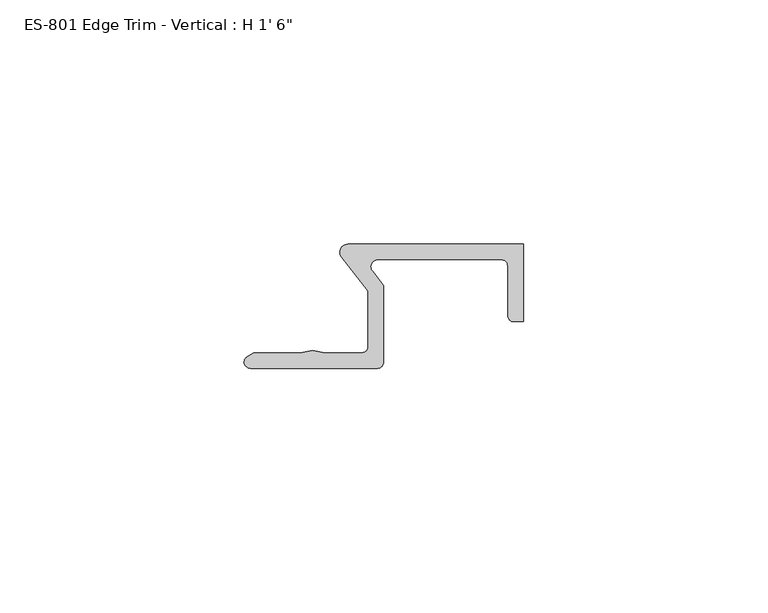
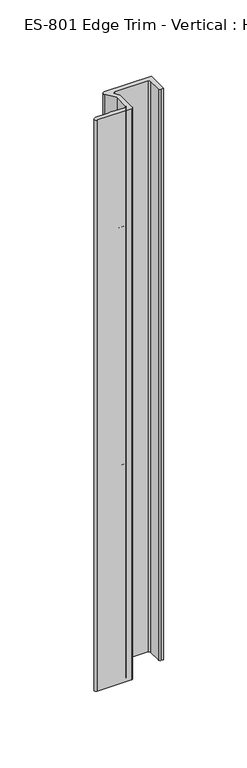
"""IFC4 building model written with IfcOpenShell, lengths in millimetres: proxy geometry."""

from ifc_helpers import new_model, si_unit, frame, origin, place, context, project, spatial, polyline, circle_curve, source, transform, mapped, element, save
from ifc_brep_helpers import plane_surface, cylinder_surface, revolved_surface, advanced_brep


def proxy_0207d02c(model_context):
    return source(origin(), model_context, "Body", "AdvancedBrep", [
        advanced_brep(
        [(-7.3673993, 12.5883601, -152.4114463), (28.5635537, 12.5883601, -152.4114463), (28.5635537, -3.2866399, -152.4114463), (26.6465758, -3.2866399, -152.4114463), (25.3885537, -2.0286178, -152.4114463), (25.3885537, 8.1433601, -152.4114463), (24.1185537, 9.4133601, -152.4114463), (-1.2734404, 9.4133601, -152.4114463), (-2.3007811, 7.0610838, -152.4114463), (-0.0114463, 4.1308689, -152.4114463), (-0.0114463, -11.5416399, -152.4114463), (-1.2814463, -12.8116399, -152.4114463), (-27.2756609, -12.8116399, -152.4114463), (-28.1592667, -10.6104783, -152.4114463), (-26.6709014, -9.6366399, -152.4114463), (-17.1585564, -9.6366399, -152.4114463), (-14.5656463, -9.1794399, -152.4114463), (-11.9727363, -9.6366399, -152.4114463), (-4.4564463, -9.6366399, -152.4114463), (-3.1864463, -8.3666399, -152.4114463), (-3.1864463, 3.0376287, -152.4114463), (-8.6283741, 10.0029786, -152.4114463), (-7.3673993, 12.5883601, 304.7885537), (-8.6283741, 10.0029786, 304.7885537), (-3.1864463, 3.0376287, 304.7885537), (-3.1864463, -8.3666399, 304.7885537), (-4.4564463, -9.6366399, 304.7885537), (-11.9727363, -9.6366399, 304.7885537), (-14.5656463, -9.1794399, 304.7885537), (-17.1585564, -9.6366399, 304.7885537), (-26.6709014, -9.6366399, 304.7885537), (-28.1592667, -10.6104783, 304.7885537), (-27.2756609, -12.8116399, 304.7885537), (-1.2814463, -12.8116399, 304.7885537), (-0.0114463, -11.5416399, 304.7885537), (-0.0114463, 4.1308689, 304.7885537), (-2.3007811, 7.0610838, 304.7885537), (-1.2734404, 9.4133601, 304.7885537), (24.1185537, 9.4133601, 304.7885537), (25.3885537, 8.1433601, 304.7885537), (25.3885537, -2.0286178, 304.7885537), (26.6465758, -3.2866399, 304.7885537), (28.5635537, -3.2866399, 304.7885537), (28.5635537, 12.5883601, 304.7885537), (-3.1864463, 1.572985, 258.3359335), (-3.1864463, 1.572985, 275.0316248), (-3.1864463, -7.158265, 275.0316248), (-3.1864463, -7.158265, 258.3359335), (-3.1864463, 1.572985, 220.2359335), (-3.1864463, 1.572985, 236.9316248), (-3.1864463, -7.158265, 236.9316248), (-3.1864463, -7.158265, 220.2359335), (-3.1864463, 1.572985, 182.1359335), (-3.1864463, 1.572985, 198.8316248), (-3.1864463, -7.158265, 198.8316248), (-3.1864463, -7.158265, 182.1359335), (-3.1864463, 1.572985, 144.0359335), (-3.1864463, 1.572985, 160.7316248), (-3.1864463, -7.158265, 160.7316248), (-3.1864463, -7.158265, 144.0359335), (-3.1864463, 1.572985, 105.9359335), (-3.1864463, 1.572985, 122.6316248), (-3.1864463, -7.158265, 122.6316248), (-3.1864463, -7.158265, 105.9359335), (-3.1864463, 1.572985, 67.8359335), (-3.1864463, 1.572985, 84.5316248), (-3.1864463, -7.158265, 84.5316248), (-3.1864463, -7.158265, 67.8359335), (-3.1864463, 1.572985, 29.7359335), (-3.1864463, 1.572985, 46.4316248), (-3.1864463, -7.158265, 46.4316248), (-3.1864463, -7.158265, 29.7359335), (-3.1864463, 1.572985, -8.3640665), (-3.1864463, 1.572985, 8.3316248), (-3.1864463, -7.158265, 8.3316248), (-3.1864463, -7.158265, -8.3640665), (-3.1864463, 1.572985, -46.4640665), (-3.1864463, 1.572985, -29.7683752), (-3.1864463, -7.158265, -29.7683752), (-3.1864463, -7.158265, -46.4640665), (-3.1864463, 1.572985, -84.5640665), (-3.1864463, 1.572985, -67.8683752), (-3.1864463, -7.158265, -67.8683752), (-3.1864463, -7.158265, -84.5640665), (-3.1864463, 1.572985, -122.6640665), (-3.1864463, 1.572985, -105.9683752), (-3.1864463, -7.158265, -105.9683752), (-3.1864463, -7.158265, -122.6640665), (-0.0114463, 1.572985, 275.0316248), (-0.0114463, 1.572985, 258.3359335), (-0.0114463, -7.158265, 258.3359335), (-0.0114463, -7.158265, 275.0316248), (-0.0114463, 1.572985, 236.9316248), (-0.0114463, 1.572985, 220.2359335), (-0.0114463, -7.158265, 220.2359335), (-0.0114463, -7.158265, 236.9316248), (-0.0114463, 1.572985, 198.8316248), (-0.0114463, 1.572985, 182.1359335), (-0.0114463, -7.158265, 182.1359335), (-0.0114463, -7.158265, 198.8316248), (-0.0114463, 1.572985, 160.7316248), (-0.0114463, 1.572985, 144.0359335), (-0.0114463, -7.158265, 144.0359335), (-0.0114463, -7.158265, 160.7316248), (-0.0114463, 1.572985, 122.6316248), (-0.0114463, 1.572985, 105.9359335), (-0.0114463, -7.158265, 105.9359335), (-0.0114463, -7.158265, 122.6316248), (-0.0114463, 1.572985, 84.5316248), (-0.0114463, 1.572985, 67.8359335), (-0.0114463, -7.158265, 67.8359335), (-0.0114463, -7.158265, 84.5316248), (-0.0114463, 1.572985, 46.4316248), (-0.0114463, 1.572985, 29.7359335), (-0.0114463, -7.158265, 29.7359335), (-0.0114463, -7.158265, 46.4316248), (-0.0114463, 1.572985, 8.3316248), (-0.0114463, 1.572985, -8.3640665), (-0.0114463, -7.158265, -8.3640665), (-0.0114463, -7.158265, 8.3316248), (-0.0114463, 1.572985, -29.7683752), (-0.0114463, 1.572985, -46.4640665), (-0.0114463, -7.158265, -46.4640665), (-0.0114463, -7.158265, -29.7683752), (-0.0114463, 1.572985, -67.8683752), (-0.0114463, 1.572985, -84.5640665), (-0.0114463, -7.158265, -84.5640665), (-0.0114463, -7.158265, -67.8683752), (-0.0114463, 1.572985, -105.9683752), (-0.0114463, 1.572985, -122.6640665), (-0.0114463, -7.158265, -122.6640665), (-0.0114463, -7.158265, -105.9683752)],
        [
            (0, 1),
            (1, 2),
            (2, 3),
            (3, 4, circle_curve(frame((26.6465758, -2.0286178, -152.4114463), z_axis=(0.0, 0.0, -1.0), x_axis=(0.0, 1.0, 0.0)), 1.2580221)),
            (4, 5),
            (5, 6, circle_curve(frame((24.1185537, 8.1433601, -152.4114463), z_axis=(0.0, 0.0, 1.0), x_axis=(0.0, 1.0, 0.0)), 1.27)),
            (6, 7),
            (7, 8, circle_curve(frame((-1.2734404, 8.0128799, -152.4114463), z_axis=(0.0, 0.0, 1.0), x_axis=(0.0, 1.0, 0.0)), 1.4004802)),
            (8, 9),
            (9, 10),
            (10, 11, circle_curve(frame((-1.2814463, -11.5416399, -152.4114463), z_axis=(0.0, 0.0, -1.0), x_axis=(0.0, 1.0, 0.0)), 1.27)),
            (11, 12),
            (12, 13, circle_curve(frame((-27.3029218, -11.5446507, -152.4114463), z_axis=(0.0, 0.0, -1.0), x_axis=(0.0, 1.0, 0.0)), 1.2672824)),
            (13, 14),
            (14, 15),
            (15, 16),
            (16, 17),
            (17, 18),
            (18, 19, circle_curve(frame((-4.4564463, -8.3666399, -152.4114463), z_axis=(0.0, 0.0, 1.0), x_axis=(0.0, 1.0, 0.0)), 1.27)),
            (19, 20),
            (20, 21),
            (21, 0, circle_curve(frame((-7.3673993, 10.9881601, -152.4114463), z_axis=(0.0, 0.0, -1.0), x_axis=(0.0, 1.0, 0.0)), 1.6002)),
            (22, 23, circle_curve(frame((-7.3673993, 10.9881601, 304.7885537), z_axis=(0.0, 0.0, 1.0), x_axis=(0.0, 1.0, 0.0)), 1.6002)),
            (23, 24),
            (24, 25),
            (25, 26, circle_curve(frame((-4.4564463, -8.3666399, 304.7885537), z_axis=(0.0, 0.0, -1.0), x_axis=(0.0, 1.0, 0.0)), 1.27)),
            (26, 27),
            (27, 28),
            (28, 29),
            (29, 30),
            (30, 31),
            (31, 32, circle_curve(frame((-27.3029218, -11.5446507, 304.7885537), z_axis=(0.0, 0.0, 1.0), x_axis=(0.0, 1.0, 0.0)), 1.2672824)),
            (32, 33),
            (33, 34, circle_curve(frame((-1.2814463, -11.5416399, 304.7885537), z_axis=(0.0, 0.0, 1.0), x_axis=(0.0, 1.0, 0.0)), 1.27)),
            (34, 35),
            (35, 36),
            (36, 37, circle_curve(frame((-1.2734404, 8.0128799, 304.7885537), z_axis=(0.0, 0.0, -1.0), x_axis=(0.0, 1.0, 0.0)), 1.4004802)),
            (37, 38),
            (38, 39, circle_curve(frame((24.1185537, 8.1433601, 304.7885537), z_axis=(0.0, 0.0, -1.0), x_axis=(0.0, 1.0, 0.0)), 1.27)),
            (39, 40),
            (40, 41, circle_curve(frame((26.6465758, -2.0286178, 304.7885537), z_axis=(0.0, 0.0, 1.0), x_axis=(0.0, 1.0, 0.0)), 1.2580221)),
            (41, 42),
            (42, 43),
            (43, 22),
            (0, 22),
            (43, 1),
            (21, 23),
            (20, 24),
            (19, 25),
            (44, 45),
            (45, 46, circle_curve(frame((-3.1864463, -2.79264, 275.0316248), z_axis=(1.0, 0.0, 0.0), x_axis=(0.0, 0.0, 1.0)), 4.365625)),
            (46, 47),
            (47, 44, circle_curve(frame((-3.1864463, -2.79264, 258.3359335), z_axis=(1.0, 0.0, 0.0), x_axis=(0.0, 0.0, 1.0)), 4.365625)),
            (48, 49),
            (49, 50, circle_curve(frame((-3.1864463, -2.79264, 236.9316248), z_axis=(1.0, 0.0, 0.0), x_axis=(0.0, 0.0, 1.0)), 4.365625)),
            (50, 51),
            (51, 48, circle_curve(frame((-3.1864463, -2.79264, 220.2359335), z_axis=(1.0, 0.0, 0.0), x_axis=(0.0, 0.0, 1.0)), 4.365625)),
            (52, 53),
            (53, 54, circle_curve(frame((-3.1864463, -2.79264, 198.8316248), z_axis=(1.0, 0.0, 0.0), x_axis=(0.0, 0.0, 1.0)), 4.365625)),
            (54, 55),
            (55, 52, circle_curve(frame((-3.1864463, -2.79264, 182.1359335), z_axis=(1.0, 0.0, 0.0), x_axis=(0.0, 0.0, 1.0)), 4.365625)),
            (56, 57),
            (57, 58, circle_curve(frame((-3.1864463, -2.79264, 160.7316248), z_axis=(1.0, 0.0, 0.0), x_axis=(0.0, 0.0, 1.0)), 4.365625)),
            (58, 59),
            (59, 56, circle_curve(frame((-3.1864463, -2.79264, 144.0359335), z_axis=(1.0, 0.0, 0.0), x_axis=(0.0, 0.0, 1.0)), 4.365625)),
            (60, 61),
            (61, 62, circle_curve(frame((-3.1864463, -2.79264, 122.6316248), z_axis=(1.0, 0.0, 0.0), x_axis=(0.0, 0.0, 1.0)), 4.365625)),
            (62, 63),
            (63, 60, circle_curve(frame((-3.1864463, -2.79264, 105.9359335), z_axis=(1.0, 0.0, 0.0), x_axis=(0.0, 0.0, 1.0)), 4.365625)),
            (64, 65),
            (65, 66, circle_curve(frame((-3.1864463, -2.79264, 84.5316248), z_axis=(1.0, 0.0, 0.0), x_axis=(0.0, 0.0, 1.0)), 4.365625)),
            (66, 67),
            (67, 64, circle_curve(frame((-3.1864463, -2.79264, 67.8359335), z_axis=(1.0, 0.0, 0.0), x_axis=(0.0, 0.0, 1.0)), 4.365625)),
            (68, 69),
            (69, 70, circle_curve(frame((-3.1864463, -2.79264, 46.4316248), z_axis=(1.0, 0.0, 0.0), x_axis=(0.0, 0.0, 1.0)), 4.365625)),
            (70, 71),
            (71, 68, circle_curve(frame((-3.1864463, -2.79264, 29.7359335), z_axis=(1.0, 0.0, 0.0), x_axis=(0.0, 0.0, 1.0)), 4.365625)),
            (72, 73),
            (73, 74, circle_curve(frame((-3.1864463, -2.79264, 8.3316248), z_axis=(1.0, 0.0, 0.0), x_axis=(0.0, 0.0, 1.0)), 4.365625)),
            (74, 75),
            (75, 72, circle_curve(frame((-3.1864463, -2.79264, -8.3640665), z_axis=(1.0, 0.0, 0.0), x_axis=(0.0, 0.0, 1.0)), 4.365625)),
            (76, 77),
            (77, 78, circle_curve(frame((-3.1864463, -2.79264, -29.7683752), z_axis=(1.0, 0.0, 0.0), x_axis=(0.0, 0.0, 1.0)), 4.365625)),
            (78, 79),
            (79, 76, circle_curve(frame((-3.1864463, -2.79264, -46.4640665), z_axis=(1.0, 0.0, 0.0), x_axis=(0.0, 0.0, 1.0)), 4.365625)),
            (80, 81),
            (81, 82, circle_curve(frame((-3.1864463, -2.79264, -67.8683752), z_axis=(1.0, 0.0, 0.0), x_axis=(0.0, 0.0, 1.0)), 4.365625)),
            (82, 83),
            (83, 80, circle_curve(frame((-3.1864463, -2.79264, -84.5640665), z_axis=(1.0, 0.0, 0.0), x_axis=(0.0, 0.0, 1.0)), 4.365625)),
            (84, 85),
            (85, 86, circle_curve(frame((-3.1864463, -2.79264, -105.9683752), z_axis=(1.0, 0.0, 0.0), x_axis=(0.0, 0.0, 1.0)), 4.365625)),
            (86, 87),
            (87, 84, circle_curve(frame((-3.1864463, -2.79264, -122.6640665), z_axis=(1.0, 0.0, 0.0), x_axis=(0.0, 0.0, 1.0)), 4.365625)),
            (18, 26),
            (17, 27),
            (16, 28),
            (15, 29),
            (14, 30),
            (13, 31),
            (12, 32),
            (11, 33),
            (10, 34),
            (9, 35),
            (88, 89),
            (89, 90, circle_curve(frame((-0.0114463, -2.79264, 258.3359335), z_axis=(-1.0, 0.0, 0.0), x_axis=(0.0, 0.0, 1.0)), 4.365625)),
            (90, 91),
            (91, 88, circle_curve(frame((-0.0114463, -2.79264, 275.0316248), z_axis=(-1.0, 0.0, 0.0), x_axis=(0.0, 0.0, 1.0)), 4.365625)),
            (92, 93),
            (93, 94, circle_curve(frame((-0.0114463, -2.79264, 220.2359335), z_axis=(-1.0, 0.0, 0.0), x_axis=(0.0, 0.0, 1.0)), 4.365625)),
            (94, 95),
            (95, 92, circle_curve(frame((-0.0114463, -2.79264, 236.9316248), z_axis=(-1.0, 0.0, 0.0), x_axis=(0.0, 0.0, 1.0)), 4.365625)),
            (96, 97),
            (97, 98, circle_curve(frame((-0.0114463, -2.79264, 182.1359335), z_axis=(-1.0, 0.0, 0.0), x_axis=(0.0, 0.0, 1.0)), 4.365625)),
            (98, 99),
            (99, 96, circle_curve(frame((-0.0114463, -2.79264, 198.8316248), z_axis=(-1.0, 0.0, 0.0), x_axis=(0.0, 0.0, 1.0)), 4.365625)),
            (100, 101),
            (101, 102, circle_curve(frame((-0.0114463, -2.79264, 144.0359335), z_axis=(-1.0, 0.0, 0.0), x_axis=(0.0, 0.0, 1.0)), 4.365625)),
            (102, 103),
            (103, 100, circle_curve(frame((-0.0114463, -2.79264, 160.7316248), z_axis=(-1.0, 0.0, 0.0), x_axis=(0.0, 0.0, 1.0)), 4.365625)),
            (104, 105),
            (105, 106, circle_curve(frame((-0.0114463, -2.79264, 105.9359335), z_axis=(-1.0, 0.0, 0.0), x_axis=(0.0, 0.0, 1.0)), 4.365625)),
            (106, 107),
            (107, 104, circle_curve(frame((-0.0114463, -2.79264, 122.6316248), z_axis=(-1.0, 0.0, 0.0), x_axis=(0.0, 0.0, 1.0)), 4.365625)),
            (108, 109),
            (109, 110, circle_curve(frame((-0.0114463, -2.79264, 67.8359335), z_axis=(-1.0, 0.0, 0.0), x_axis=(0.0, 0.0, 1.0)), 4.365625)),
            (110, 111),
            (111, 108, circle_curve(frame((-0.0114463, -2.79264, 84.5316248), z_axis=(-1.0, 0.0, 0.0), x_axis=(0.0, 0.0, 1.0)), 4.365625)),
            (112, 113),
            (113, 114, circle_curve(frame((-0.0114463, -2.79264, 29.7359335), z_axis=(-1.0, 0.0, 0.0), x_axis=(0.0, 0.0, 1.0)), 4.365625)),
            (114, 115),
            (115, 112, circle_curve(frame((-0.0114463, -2.79264, 46.4316248), z_axis=(-1.0, 0.0, 0.0), x_axis=(0.0, 0.0, 1.0)), 4.365625)),
            (116, 117),
            (117, 118, circle_curve(frame((-0.0114463, -2.79264, -8.3640665), z_axis=(-1.0, 0.0, 0.0), x_axis=(0.0, 0.0, 1.0)), 4.365625)),
            (118, 119),
            (119, 116, circle_curve(frame((-0.0114463, -2.79264, 8.3316248), z_axis=(-1.0, 0.0, 0.0), x_axis=(0.0, 0.0, 1.0)), 4.365625)),
            (120, 121),
            (121, 122, circle_curve(frame((-0.0114463, -2.79264, -46.4640665), z_axis=(-1.0, 0.0, 0.0), x_axis=(0.0, 0.0, 1.0)), 4.365625)),
            (122, 123),
            (123, 120, circle_curve(frame((-0.0114463, -2.79264, -29.7683752), z_axis=(-1.0, 0.0, 0.0), x_axis=(0.0, 0.0, 1.0)), 4.365625)),
            (124, 125),
            (125, 126, circle_curve(frame((-0.0114463, -2.79264, -84.5640665), z_axis=(-1.0, 0.0, 0.0), x_axis=(0.0, 0.0, 1.0)), 4.365625)),
            (126, 127),
            (127, 124, circle_curve(frame((-0.0114463, -2.79264, -67.8683752), z_axis=(-1.0, 0.0, 0.0), x_axis=(0.0, 0.0, 1.0)), 4.365625)),
            (128, 129),
            (129, 130, circle_curve(frame((-0.0114463, -2.79264, -122.6640665), z_axis=(-1.0, 0.0, 0.0), x_axis=(0.0, 0.0, 1.0)), 4.365625)),
            (130, 131),
            (131, 128, circle_curve(frame((-0.0114463, -2.79264, -105.9683752), z_axis=(-1.0, 0.0, 0.0), x_axis=(0.0, 0.0, 1.0)), 4.365625)),
            (8, 36),
            (7, 37),
            (6, 38),
            (5, 39),
            (4, 40),
            (3, 41),
            (2, 42),
            (88, 45),
            (44, 89),
            (90, 47),
            (46, 91),
            (92, 49),
            (48, 93),
            (94, 51),
            (50, 95),
            (96, 53),
            (52, 97),
            (98, 55),
            (54, 99),
            (100, 57),
            (56, 101),
            (102, 59),
            (58, 103),
            (104, 61),
            (60, 105),
            (106, 63),
            (62, 107),
            (108, 65),
            (64, 109),
            (110, 67),
            (66, 111),
            (112, 69),
            (68, 113),
            (114, 71),
            (70, 115),
            (116, 73),
            (72, 117),
            (118, 75),
            (74, 119),
            (120, 77),
            (76, 121),
            (122, 79),
            (78, 123),
            (124, 81),
            (80, 125),
            (126, 83),
            (82, 127),
            (128, 85),
            (84, 129),
            (130, 87),
            (86, 131),
        ],
        [
            plane_surface(frame((-7.3673993, 12.5883601, -152.4114463), z_axis=(0.0, 0.0, -1.0), x_axis=(1.0, 0.0, 0.0))),
            plane_surface(frame((-7.3673993, 12.5883601, 304.7885537), z_axis=(0.0, 0.0, 1.0), x_axis=(-1.0, 0.0, 0.0))),
            plane_surface(frame((28.5635537, 12.5883601, 304.7885537), z_axis=(0.0, 1.0, 0.0), x_axis=(0.0, 0.0, -1.0))),
            cylinder_surface(frame((-7.3673993, 10.9881601, -152.4114463), z_axis=(0.0, 0.0, 1.0), x_axis=(0.0, 1.0, 0.0)), 1.6002),
            plane_surface(frame((-8.6283741, 10.0029786, 304.7885537), z_axis=(-0.7880107536073708, -0.6156614753248278, 0.0), x_axis=(0.0, 0.0, -1.0))),
            plane_surface(frame((-3.1864463, 3.0376287, 304.7885537), z_axis=(-1.0, 0.0, 0.0), x_axis=(0.0, 0.0, -1.0))),
            revolved_surface(polyline([(-4.4564463, -7.0966399, -152.4114463), (-4.4564463, -7.0966399, 304.7885537000001)]), (-4.4564463, -8.3666399, -152.4114463), (0.0, 0.0, -1.0)),
            plane_surface(frame((-4.4564463, -9.6366399, 304.7885537), z_axis=(0.0, 1.0, 0.0), x_axis=(0.0, 0.0, -1.0))),
            plane_surface(frame((-11.9727363, -9.6366399, 304.7885537), z_axis=(0.17364817766693294, 0.9848077530122077, 0.0), x_axis=(0.0, 0.0, -1.0))),
            plane_surface(frame((-14.5656463, -9.1794399, 304.7885537), z_axis=(-0.17364817766692897, 0.9848077530122084, 0.0), x_axis=(0.0, 0.0, -1.0))),
            plane_surface(frame((-17.1585564, -9.6366399, 304.7885537), z_axis=(0.0, 1.0, 0.0), x_axis=(0.0, 0.0, -1.0))),
            plane_surface(frame((-26.6709014, -9.6366399, 304.7885537), z_axis=(-0.5475157626696022, 0.8367953690289662, 0.0), x_axis=(0.0, 0.0, -1.0))),
            cylinder_surface(frame((-27.3029218, -11.5446507, -152.4114463), z_axis=(0.0, 0.0, 1.0), x_axis=(0.0, 1.0, 0.0)), 1.2672824),
            plane_surface(frame((-27.2756609, -12.8116399, 304.7885537), z_axis=(0.0, -1.0, 0.0), x_axis=(0.0, 0.0, -1.0))),
            cylinder_surface(frame((-1.2814463, -11.5416399, -152.4114463), z_axis=(0.0, 0.0, 1.0), x_axis=(0.0, 1.0, 0.0)), 1.27),
            plane_surface(frame((-0.0114463, -11.5416399, 304.7885537), z_axis=(1.0, 0.0, 0.0), x_axis=(0.0, 0.0, -1.0))),
            plane_surface(frame((-0.0114463, 4.1308689, 304.7885537), z_axis=(0.7880107536067222, 0.6156614753256581, 0.0), x_axis=(0.0, 0.0, -1.0))),
            revolved_surface(polyline([(-1.2734404, 9.4133601, -152.4114463), (-1.2734404, 9.4133601, 304.7885537000001)]), (-1.2734404, 8.0128799, -152.4114463), (0.0, 0.0, -1.0)),
            plane_surface(frame((-1.2734404, 9.4133601, 304.7885537), z_axis=(0.0, -1.0, 0.0), x_axis=(0.0, 0.0, -1.0))),
            revolved_surface(polyline([(24.1185537, 9.4133601, -152.4114463), (24.1185537, 9.4133601, 304.7885537000001)]), (24.1185537, 8.1433601, -152.4114463), (0.0, 0.0, -1.0)),
            plane_surface(frame((25.3885537, 8.1433601, 304.7885537), z_axis=(-1.0, 0.0, 0.0), x_axis=(0.0, 0.0, -1.0))),
            cylinder_surface(frame((26.6465758, -2.0286178, -152.4114463), z_axis=(0.0, 0.0, 1.0), x_axis=(0.0, 1.0, 0.0)), 1.2580221),
            plane_surface(frame((26.6465758, -3.2866399, 304.7885537), z_axis=(0.0, -1.0, 0.0), x_axis=(0.0, 0.0, -1.0))),
            plane_surface(frame((28.5635537, -3.2866399, 304.7885537), z_axis=(1.0, 0.0, 0.0), x_axis=(0.0, 0.0, -1.0))),
            plane_surface(frame((-6.8908151, 1.572985, 275.0316248), z_axis=(0.0, -1.0, 0.0), x_axis=(1.0, 0.0, 0.0))),
            plane_surface(frame((-6.8908151, -7.158265, 258.3359335), z_axis=(0.0, 1.0, 0.0), x_axis=(1.0, 0.0, 0.0))),
            revolved_surface(polyline([(-3.1864463, -2.79264, 262.70155850000003), (-0.011446299999999798, -2.79264, 262.70155850000003)]), (2.8611096, -2.79264, 258.3359335), (-1.0, 0.0, 0.0)),
            revolved_surface(polyline([(-3.1864463, -2.79264, 279.3972498), (-0.011446299999999798, -2.79264, 279.3972498)]), (2.8611096, -2.79264, 275.0316248), (-1.0, 0.0, 0.0)),
            plane_surface(frame((-6.8908151, 1.572985, 236.9316248), z_axis=(0.0, -1.0, 0.0), x_axis=(1.0, 0.0, 0.0))),
            plane_surface(frame((-6.8908151, -7.158265, 220.2359335), z_axis=(0.0, 1.0, 0.0), x_axis=(1.0, 0.0, 0.0))),
            revolved_surface(polyline([(-3.1864463, -2.79264, 224.60155849999998), (-0.011446299999999798, -2.79264, 224.60155849999998)]), (2.8611096, -2.79264, 220.2359335), (-1.0, 0.0, 0.0)),
            revolved_surface(polyline([(-3.1864463, -2.79264, 241.2972498), (-0.011446299999999798, -2.79264, 241.2972498)]), (2.8611096, -2.79264, 236.9316248), (-1.0, 0.0, 0.0)),
            plane_surface(frame((-6.8908151, 1.572985, 198.8316248), z_axis=(0.0, -1.0, 0.0), x_axis=(1.0, 0.0, 0.0))),
            plane_surface(frame((-6.8908151, -7.158265, 182.1359335), z_axis=(0.0, 1.0, 0.0), x_axis=(1.0, 0.0, 0.0))),
            revolved_surface(polyline([(-3.1864463, -2.79264, 186.5015585), (-0.011446299999999798, -2.79264, 186.5015585)]), (2.8611096, -2.79264, 182.1359335), (-1.0, 0.0, 0.0)),
            revolved_surface(polyline([(-3.1864463, -2.79264, 203.19724979999998), (-0.011446299999999798, -2.79264, 203.19724979999998)]), (2.8611096, -2.79264, 198.8316248), (-1.0, 0.0, 0.0)),
            plane_surface(frame((-6.8908151, 1.572985, 160.7316248), z_axis=(0.0, -1.0, 0.0), x_axis=(1.0, 0.0, 0.0))),
            plane_surface(frame((-6.8908151, -7.158265, 144.0359335), z_axis=(0.0, 1.0, 0.0), x_axis=(1.0, 0.0, 0.0))),
            revolved_surface(polyline([(-3.1864463, -2.79264, 148.4015585), (-0.011446299999999798, -2.79264, 148.4015585)]), (2.8611096, -2.79264, 144.0359335), (-1.0, 0.0, 0.0)),
            revolved_surface(polyline([(-3.1864463, -2.79264, 165.0972498), (-0.011446299999999798, -2.79264, 165.0972498)]), (2.8611096, -2.79264, 160.7316248), (-1.0, 0.0, 0.0)),
            plane_surface(frame((-6.8908151, 1.572985, 122.6316248), z_axis=(0.0, -1.0, 0.0), x_axis=(1.0, 0.0, 0.0))),
            plane_surface(frame((-6.8908151, -7.158265, 105.9359335), z_axis=(0.0, 1.0, 0.0), x_axis=(1.0, 0.0, 0.0))),
            revolved_surface(polyline([(-3.1864463, -2.79264, 110.3015585), (-0.011446299999999798, -2.79264, 110.3015585)]), (2.8611096, -2.79264, 105.9359335), (-1.0, 0.0, 0.0)),
            revolved_surface(polyline([(-3.1864463, -2.79264, 126.99724979999999), (-0.011446299999999798, -2.79264, 126.99724979999999)]), (2.8611096, -2.79264, 122.6316248), (-1.0, 0.0, 0.0)),
            plane_surface(frame((-6.8908151, 1.572985, 84.5316248), z_axis=(0.0, -1.0, 0.0), x_axis=(1.0, 0.0, 0.0))),
            plane_surface(frame((-6.8908151, -7.158265, 67.8359335), z_axis=(0.0, 1.0, 0.0), x_axis=(1.0, 0.0, 0.0))),
            revolved_surface(polyline([(-3.1864463, -2.79264, 72.20155849999999), (-0.011446299999999798, -2.79264, 72.20155849999999)]), (2.8611096, -2.79264, 67.8359335), (-1.0, 0.0, 0.0)),
            revolved_surface(polyline([(-3.1864463, -2.79264, 88.8972498), (-0.011446299999999798, -2.79264, 88.8972498)]), (2.8611096, -2.79264, 84.5316248), (-1.0, 0.0, 0.0)),
            plane_surface(frame((-6.8908151, 1.572985, 46.4316248), z_axis=(0.0, -1.0, 0.0), x_axis=(1.0, 0.0, 0.0))),
            plane_surface(frame((-6.8908151, -7.158265, 29.7359335), z_axis=(0.0, 1.0, 0.0), x_axis=(1.0, 0.0, 0.0))),
            revolved_surface(polyline([(-3.1864463, -2.79264, 34.1015585), (-0.011446299999999798, -2.79264, 34.1015585)]), (2.8611096, -2.79264, 29.7359335), (-1.0, 0.0, 0.0)),
            revolved_surface(polyline([(-3.1864463, -2.79264, 50.7972498), (-0.011446299999999798, -2.79264, 50.7972498)]), (2.8611096, -2.79264, 46.4316248), (-1.0, 0.0, 0.0)),
            plane_surface(frame((-6.8908151, 1.572985, 8.3316248), z_axis=(0.0, -1.0, 0.0), x_axis=(1.0, 0.0, 0.0))),
            plane_surface(frame((-6.8908151, -7.158265, -8.3640665), z_axis=(0.0, 1.0, 0.0), x_axis=(1.0, 0.0, 0.0))),
            revolved_surface(polyline([(-3.1864463, -2.79264, -3.9984415), (-0.011446299999999798, -2.79264, -3.9984415)]), (2.8611096, -2.79264, -8.3640665), (-1.0, 0.0, 0.0)),
            revolved_surface(polyline([(-3.1864463, -2.79264, 12.6972498), (-0.011446299999999798, -2.79264, 12.6972498)]), (2.8611096, -2.79264, 8.3316248), (-1.0, 0.0, 0.0)),
            plane_surface(frame((-6.8908151, 1.572985, -29.7683752), z_axis=(0.0, -1.0, 0.0), x_axis=(1.0, 0.0, 0.0))),
            plane_surface(frame((-6.8908151, -7.158265, -46.4640665), z_axis=(0.0, 1.0, 0.0), x_axis=(1.0, 0.0, 0.0))),
            revolved_surface(polyline([(-3.1864463, -2.79264, -42.0984415), (-0.011446299999999798, -2.79264, -42.0984415)]), (2.8611096, -2.79264, -46.4640665), (-1.0, 0.0, 0.0)),
            revolved_surface(polyline([(-3.1864463, -2.79264, -25.4027502), (-0.011446299999999798, -2.79264, -25.4027502)]), (2.8611096, -2.79264, -29.7683752), (-1.0, 0.0, 0.0)),
            plane_surface(frame((-6.8908151, 1.572985, -67.8683752), z_axis=(0.0, -1.0, 0.0), x_axis=(1.0, 0.0, 0.0))),
            plane_surface(frame((-6.8908151, -7.158265, -84.5640665), z_axis=(0.0, 1.0, 0.0), x_axis=(1.0, 0.0, 0.0))),
            revolved_surface(polyline([(-3.1864463, -2.79264, -80.1984415), (-0.011446299999999798, -2.79264, -80.1984415)]), (2.8611096, -2.79264, -84.5640665), (-1.0, 0.0, 0.0)),
            revolved_surface(polyline([(-3.1864463, -2.79264, -63.5027502), (-0.011446299999999798, -2.79264, -63.5027502)]), (2.8611096, -2.79264, -67.8683752), (-1.0, 0.0, 0.0)),
            plane_surface(frame((-6.8908151, 1.572985, -105.9683752), z_axis=(0.0, -1.0, 0.0), x_axis=(1.0, 0.0, 0.0))),
            plane_surface(frame((-6.8908151, -7.158265, -122.6640665), z_axis=(0.0, 1.0, 0.0), x_axis=(1.0, 0.0, 0.0))),
            revolved_surface(polyline([(-3.1864463, -2.79264, -118.29844150000001), (-0.011446299999999798, -2.79264, -118.29844150000001)]), (2.8611096, -2.79264, -122.6640665), (-1.0, 0.0, 0.0)),
            revolved_surface(polyline([(-3.1864463, -2.79264, -101.6027502), (-0.011446299999999798, -2.79264, -101.6027502)]), (2.8611096, -2.79264, -105.9683752), (-1.0, 0.0, 0.0)),
        ],
        [
            (0, [[1, 2, 3, 4, 5, 6, 7, 8, 9, 10, 11, 12, 13, 14, 15, 16, 17, 18, 19, 20, 21, 22]]),
            (1, [[23, 24, 25, 26, 27, 28, 29, 30, 31, 32, 33, 34, 35, 36, 37, 38, 39, 40, 41, 42, 43, 44]]),
            (2, [[-1, 45, -44, 46]]),
            (3, [[-22, 47, -23, -45]]),
            (4, [[-21, 48, -24, -47]]),
            (5, [[-20, 49, -25, -48], [50, 51, 52, 53], [54, 55, 56, 57], [58, 59, 60, 61], [62, 63, 64, 65], [66, 67, 68, 69], [70, 71, 72, 73], [74, 75, 76, 77], [78, 79, 80, 81], [82, 83, 84, 85], [86, 87, 88, 89], [90, 91, 92, 93]]),
            (6, [[-19, 94, -26, -49]]),
            (7, [[-18, 95, -27, -94]]),
            (8, [[-17, 96, -28, -95]]),
            (9, [[-16, 97, -29, -96]]),
            (10, [[-15, 98, -30, -97]]),
            (11, [[-14, 99, -31, -98]]),
            (12, [[-13, 100, -32, -99]]),
            (13, [[-12, 101, -33, -100]]),
            (14, [[-11, 102, -34, -101]]),
            (15, [[-10, 103, -35, -102], [104, 105, 106, 107], [108, 109, 110, 111], [112, 113, 114, 115], [116, 117, 118, 119], [120, 121, 122, 123], [124, 125, 126, 127], [128, 129, 130, 131], [132, 133, 134, 135], [136, 137, 138, 139], [140, 141, 142, 143], [144, 145, 146, 147]]),
            (16, [[-9, 148, -36, -103]]),
            (17, [[-8, 149, -37, -148]]),
            (18, [[-7, 150, -38, -149]]),
            (19, [[-6, 151, -39, -150]]),
            (20, [[-5, 152, -40, -151]]),
            (21, [[-4, 153, -41, -152]]),
            (22, [[-3, 154, -42, -153]]),
            (23, [[-2, -46, -43, -154]]),
            (24, [[155, -50, 156, -104]]),
            (25, [[157, -52, 158, -106]]),
            (26, [[-157, -105, -156, -53]]),
            (27, [[-155, -107, -158, -51]]),
            (28, [[159, -54, 160, -108]]),
            (29, [[161, -56, 162, -110]]),
            (30, [[-161, -109, -160, -57]]),
            (31, [[-159, -111, -162, -55]]),
            (32, [[163, -58, 164, -112]]),
            (33, [[165, -60, 166, -114]]),
            (34, [[-165, -113, -164, -61]]),
            (35, [[-163, -115, -166, -59]]),
            (36, [[167, -62, 168, -116]]),
            (37, [[169, -64, 170, -118]]),
            (38, [[-169, -117, -168, -65]]),
            (39, [[-167, -119, -170, -63]]),
            (40, [[171, -66, 172, -120]]),
            (41, [[173, -68, 174, -122]]),
            (42, [[-173, -121, -172, -69]]),
            (43, [[-171, -123, -174, -67]]),
            (44, [[175, -70, 176, -124]]),
            (45, [[177, -72, 178, -126]]),
            (46, [[-177, -125, -176, -73]]),
            (47, [[-175, -127, -178, -71]]),
            (48, [[179, -74, 180, -128]]),
            (49, [[181, -76, 182, -130]]),
            (50, [[-181, -129, -180, -77]]),
            (51, [[-179, -131, -182, -75]]),
            (52, [[183, -78, 184, -132]]),
            (53, [[185, -80, 186, -134]]),
            (54, [[-185, -133, -184, -81]]),
            (55, [[-183, -135, -186, -79]]),
            (56, [[187, -82, 188, -136]]),
            (57, [[189, -84, 190, -138]]),
            (58, [[-189, -137, -188, -85]]),
            (59, [[-187, -139, -190, -83]]),
            (60, [[191, -86, 192, -140]]),
            (61, [[193, -88, 194, -142]]),
            (62, [[-193, -141, -192, -89]]),
            (63, [[-191, -143, -194, -87]]),
            (64, [[195, -90, 196, -144]]),
            (65, [[197, -92, 198, -146]]),
            (66, [[-197, -145, -196, -93]]),
            (67, [[-195, -147, -198, -91]]),
        ],
    ),
    ])


if __name__ == "__main__":
    model = new_model("IFC4")
    model_context = context("Model", 3, world=origin())
    ifc_project = project(units=[si_unit("LENGTHUNIT", "METRE", prefix="MILLI")], contexts=[model_context])
    site = spatial("IfcSite", under=ifc_project)
    building = spatial("IfcBuilding", under=site)
    placement = place(None, origin())
    proxy_shape = proxy_0207d02c(model_context)
    element("IfcBuildingElementProxy", 1, Name="ES-801 Edge Trim - Vertical : H 1' 6\"", ObjectType="ES-801 Edge Trim - Vertical : H 1' 6\"", at=placement, inside=building, context=model_context, shape_type="MappedRepresentation", body=[
        mapped(proxy_shape, transform((0.0, 0.0, 0.0), x_axis=(1.0, 0.0, 0.0), y_axis=(0.0, 1.0, 0.0), z_axis=(0.0, 0.0, 1.0))),
    ])
    save(model, "model.ifc")
